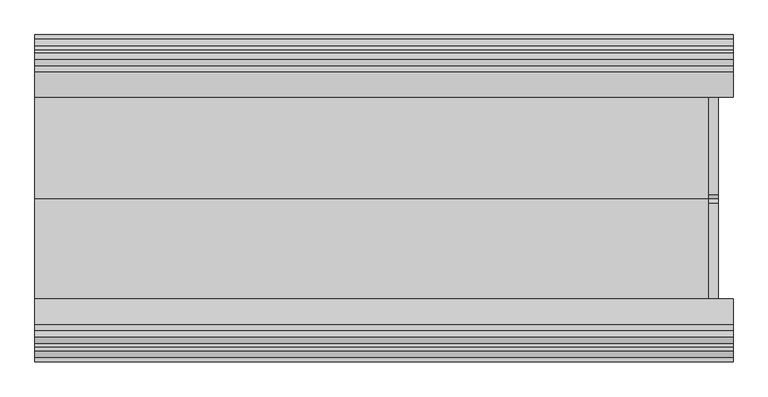
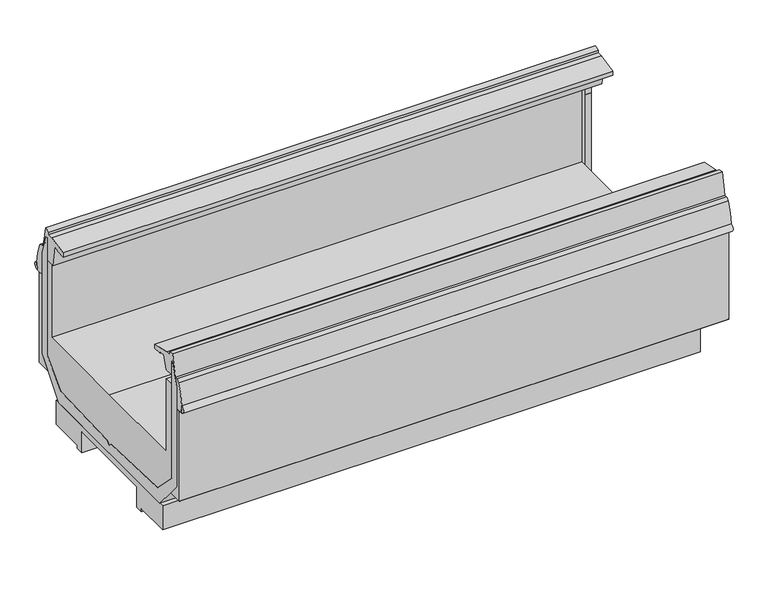
"""IFC4 building model written with IfcOpenShell, lengths in millimetres: proxy geometry."""

from ifc_helpers import new_model, si_unit, point, frame, frame_2d, origin, origin_with_axes, place, context, project, spatial, polyline, circle_curve, trimmed, segment, composite_curve, outline, extrude, source, transform, mapped, element, save
from ifc_brep_helpers import plane_surface, revolved_surface, advanced_brep


def mechanical_equipment_740fa408(model_context):
    return source(origin(), model_context, "Body", "SolidModel", [
        extrude(outline(composite_curve([segment(trimmed(circle_curve(frame_2d((1219.2, -1281.6322635)), 19.05), [point((1200.15, -1281.6322635))], [point((1238.25, -1281.6322635))], False, "CARTESIAN"), True, "CONTINUOUS"), segment(trimmed(circle_curve(frame_2d((1219.2, -1281.6322635)), 19.05), [point((1238.25, -1281.6322635))], [point((1200.15, -1281.6322635))], False, "CARTESIAN"), True, "CONTINUOUS")], self_intersect=False)), origin_with_axes(), (0.0, 0.0, 1.0), 127.0),
        extrude(outline(composite_curve([segment(trimmed(circle_curve(frame_2d((2286.0, -1164.9510135)), 11.1125), [point((2274.8875, -1164.9510135))], [point((2297.1125, -1164.9510135))], False, "CARTESIAN"), True, "CONTINUOUS"), segment(trimmed(circle_curve(frame_2d((2286.0, -1164.9510135)), 11.1125), [point((2297.1125, -1164.9510135))], [point((2274.8875, -1164.9510135))], False, "CARTESIAN"), True, "CONTINUOUS")], self_intersect=False)), origin_with_axes(), (0.0, 0.0, 1.0), 127.0),
        extrude(outline(composite_curve([segment(trimmed(circle_curve(frame_2d((2260.6, -1164.9510135)), 4.7625), [point((2255.8375, -1164.9510135))], [point((2265.3625, -1164.9510135))], False, "CARTESIAN"), True, "CONTINUOUS"), segment(trimmed(circle_curve(frame_2d((2260.6, -1164.9510135)), 4.7625), [point((2265.3625, -1164.9510135))], [point((2255.8375, -1164.9510135))], False, "CARTESIAN"), True, "CONTINUOUS")], self_intersect=False)), origin_with_axes(), (0.0, 0.0, 1.0), 127.0),
        extrude(outline(polyline([(-1408.0824708, 846.9650015), (-1399.567809, 846.9650015), (-1399.567809, 298.2301562), (-1293.5698661, 190.5), (-935.3372007, 177.5337806), (-920.5071273, 163.4842373), (-905.6770539, 177.5337806), (-547.4443885, 190.5), (-441.4464456, 298.2301562), (-441.4464456, 846.9650015), (-432.9317838, 846.9650015), (-414.7836621, 789.5616491), (-403.0848407, 752.5577332), (-403.0848407, 282.2978872), (-449.8127732, 226.1000374), (-532.2134322, 127.0), (-1308.8008224, 127.0), (-1391.2014814, 226.1000374), (-1437.9294139, 282.2978872), (-1437.9294139, 752.5577332), (-1426.2305925, 789.5616491), (-1408.0824708, 846.9650015)])), frame((0.0, 0.0, 0.0), z_axis=(1.0, 0.0, 0.0), x_axis=(0.0, 1.0, 0.0)), (0.0, 0.0, 1.0), 2385.8530658),
        advanced_brep(
        [(2385.8530658, -674.1127687, 14.2875), (2385.8530658, -511.3940187, 14.2875), (2385.8530658, -511.3940187, 127.0), (2385.8530658, -1329.6202359, 127.0), (2385.8530658, -1329.6202359, 14.2875), (2385.8530658, -1166.9014859, 14.2875), (2385.8530658, -1166.9014859, 0.0), (2385.8530658, -1131.4595591, 0.0), (2385.8530658, -1131.4595591, 97.6237021), (2385.8530658, -709.5546955, 97.6237021), (2385.8530658, -709.5546955, 0.0), (2385.8530658, -674.1127687, 0.0), (0.0, -674.1127687, 14.2875), (0.0, -674.1127687, 0.0), (0.0, -709.5546955, 0.0), (0.0, -709.5546955, 97.6237021), (0.0, -1131.4595591, 97.6237021), (0.0, -1131.4595591, 0.0), (0.0, -1166.9014859, 0.0), (0.0, -1166.9014859, 14.2875), (0.0, -1329.6202359, 14.2875), (0.0, -1329.6202359, 127.0), (0.0, -511.3940187, 127.0), (0.0, -511.3940187, 14.2875), (2305.05, -1164.9821273, 127.0), (2241.55, -1164.9821273, 127.0), (1244.6, -1281.6322635, 127.0), (1193.8, -1281.6322635, 127.0), (103.4796338, -1271.1776769, 127.0), (287.6296338, -1271.1776769, 127.0), (287.6296338, -1312.95589, 127.0), (103.4796338, -1312.95589, 127.0), (2241.6080679, -1166.9014859, 14.2875), (2304.9919321, -1166.9014859, 14.2875), (1193.8, -1281.6322635, 14.2875), (1244.6, -1281.6322635, 14.2875), (287.6296338, -1271.1776769, 14.2875), (103.4796338, -1271.1776769, 14.2875), (103.4796338, -1312.95589, 14.2875), (287.6296338, -1312.95589, 14.2875), (2304.9919321, -1166.9014859, 0.0), (2241.6080679, -1166.9014859, 0.0), (2305.05, -1164.9821273, 0.0), (2241.55, -1164.9821273, 0.0)],
        [
            (0, 1),
            (1, 2),
            (2, 3),
            (3, 4),
            (4, 5),
            (5, 6),
            (6, 7),
            (7, 8),
            (8, 9),
            (9, 10),
            (10, 11),
            (11, 0),
            (12, 13),
            (13, 14),
            (14, 15),
            (15, 16),
            (16, 17),
            (17, 18),
            (18, 19),
            (19, 20),
            (20, 21),
            (21, 22),
            (22, 23),
            (23, 12),
            (0, 12),
            (23, 1),
            (22, 2),
            (21, 3),
            (24, 25, circle_curve(frame((2273.3, -1164.9821273, 127.0), z_axis=(0.0, 0.0, -1.0), x_axis=(1.0, 0.0, 0.0)), 31.75)),
            (25, 24, circle_curve(frame((2273.3, -1164.9821273, 127.0), z_axis=(0.0, 0.0, -1.0), x_axis=(1.0, 0.0, 0.0)), 31.75)),
            (26, 27, circle_curve(frame((1219.2, -1281.6322635, 127.0), z_axis=(0.0, 0.0, -1.0), x_axis=(1.0, 0.0, 0.0)), 25.4)),
            (27, 26, circle_curve(frame((1219.2, -1281.6322635, 127.0), z_axis=(0.0, 0.0, -1.0), x_axis=(1.0, 0.0, 0.0)), 25.4)),
            (28, 29),
            (29, 30),
            (30, 31),
            (31, 28),
            (20, 4),
            (19, 32),
            (32, 33, circle_curve(frame((2273.3, -1164.9821273, 14.2875), z_axis=(0.0, 0.0, 1.0), x_axis=(1.0, 0.0, 0.0)), 31.75)),
            (33, 5),
            (34, 35, circle_curve(frame((1219.2, -1281.6322635, 14.2875), z_axis=(0.0, 0.0, 1.0), x_axis=(1.0, 0.0, 0.0)), 25.4)),
            (35, 34, circle_curve(frame((1219.2, -1281.6322635, 14.2875), z_axis=(0.0, 0.0, 1.0), x_axis=(1.0, 0.0, 0.0)), 25.4)),
            (36, 37),
            (37, 38),
            (38, 39),
            (39, 36),
            (33, 40),
            (40, 6),
            (18, 41),
            (41, 32),
            (40, 42, circle_curve(frame((2273.3, -1164.9821273, 0.0), z_axis=(0.0, 0.0, 1.0), x_axis=(1.0, 0.0, 0.0)), 31.75)),
            (42, 43, circle_curve(frame((2273.3, -1164.9821273, 0.0), z_axis=(0.0, 0.0, 1.0), x_axis=(1.0, 0.0, 0.0)), 31.75)),
            (43, 41, circle_curve(frame((2273.3, -1164.9821273, 0.0), z_axis=(0.0, 0.0, 1.0), x_axis=(1.0, 0.0, 0.0)), 31.75)),
            (17, 7),
            (16, 8),
            (15, 9),
            (14, 10),
            (13, 11),
            (24, 42),
            (43, 25),
            (34, 27),
            (26, 35),
            (36, 29),
            (28, 37),
            (31, 38),
            (30, 39),
        ],
        [
            plane_surface(frame((2385.8530658, -511.3940187, 14.2875), z_axis=(1.0, 0.0, 0.0), x_axis=(0.0, 1.0, 0.0))),
            plane_surface(frame((0.0, -511.3940187, 14.2875), z_axis=(-1.0, 0.0, 0.0), x_axis=(0.0, -1.0, 0.0))),
            plane_surface(frame((2385.8530658, -674.1127687, 14.2875), z_axis=(0.0, 0.0, -1.0), x_axis=(-1.0, 0.0, 0.0))),
            plane_surface(frame((2385.8530658, -511.3940187, 14.2875), z_axis=(0.0, 1.0, 0.0), x_axis=(-1.0, 0.0, 0.0))),
            plane_surface(frame((2385.8530658, -511.3940187, 127.0), z_axis=(0.0, 0.0, 1.0), x_axis=(-1.0, 0.0, 0.0))),
            plane_surface(frame((2385.8530658, -1329.6202359, 127.0), z_axis=(0.0, -1.0, 0.0), x_axis=(-1.0, 0.0, 0.0))),
            plane_surface(frame((2385.8530658, -1329.6202359, 14.2875), z_axis=(0.0, 0.0, -1.0), x_axis=(-1.0, 0.0, 0.0))),
            plane_surface(frame((2385.8530658, -1166.9014859, 14.2875), z_axis=(0.0, -1.0, 0.0), x_axis=(-1.0, 0.0, 0.0))),
            plane_surface(frame((2385.8530658, -1166.9014859, 0.0), z_axis=(0.0, 0.0, -1.0), x_axis=(-1.0, 0.0, 0.0))),
            plane_surface(frame((2385.8530658, -1131.4595591, 0.0), z_axis=(0.0, 1.0, 0.0), x_axis=(-1.0, 0.0, 0.0))),
            plane_surface(frame((2385.8530658, -1131.4595591, 97.6237021), z_axis=(0.0, 0.0, -1.0), x_axis=(-1.0, 0.0, 0.0))),
            plane_surface(frame((2385.8530658, -709.5546955, 97.6237021), z_axis=(0.0, -1.0, 0.0), x_axis=(-1.0, 0.0, 0.0))),
            plane_surface(frame((2385.8530658, -709.5546955, 0.0), z_axis=(0.0, 0.0, -1.0), x_axis=(-1.0, 0.0, 0.0))),
            plane_surface(frame((2385.8530658, -674.1127687, 0.0), z_axis=(0.0, 1.0, 0.0), x_axis=(-1.0, 0.0, 0.0))),
            revolved_surface(polyline([(2305.05, -1164.9821273, 127.0), (2305.05, -1164.9821273, 0.0)]), (2273.3, -1164.9821273, 0.0), (0.0, 0.0, 1.0)),
            revolved_surface(polyline([(1244.6000000000001, -1281.6322635, 127.0), (1244.6000000000001, -1281.6322635, 14.2875)]), (1219.2, -1281.6322635, 0.0), (0.0, 0.0, 1.0)),
            plane_surface(frame((287.6296338, -1271.1776769, 127.0), z_axis=(0.0, -1.0, 0.0), x_axis=(0.0, 0.0, -1.0))),
            plane_surface(frame((103.4796338, -1271.1776769, 127.0), z_axis=(1.0, 0.0, 0.0), x_axis=(0.0, 0.0, -1.0))),
            plane_surface(frame((103.4796338, -1312.95589, 127.0), z_axis=(0.0, 1.0, 0.0), x_axis=(0.0, 0.0, -1.0))),
            plane_surface(frame((287.6296338, -1312.95589, 127.0), z_axis=(-1.0, 0.0, 0.0), x_axis=(0.0, 0.0, -1.0))),
        ],
        [
            (0, [[1, 2, 3, 4, 5, 6, 7, 8, 9, 10, 11, 12]]),
            (1, [[13, 14, 15, 16, 17, 18, 19, 20, 21, 22, 23, 24]]),
            (2, [[-1, 25, -24, 26]]),
            (3, [[-2, -26, -23, 27]]),
            (4, [[-3, -27, -22, 28], [29, 30], [31, 32], [33, 34, 35, 36]]),
            (5, [[-4, -28, -21, 37]]),
            (6, [[-5, -37, -20, 38, 39, 40], [41, 42], [43, 44, 45, 46]]),
            (7, [[-6, -40, 47, 48]]),
            (7, [[-19, 49, 50, -38]]),
            (8, [[-7, -48, 51, 52, 53, -49, -18, 54]]),
            (9, [[-8, -54, -17, 55]]),
            (10, [[-9, -55, -16, 56]]),
            (11, [[-10, -56, -15, 57]]),
            (12, [[-11, -57, -14, 58]]),
            (13, [[-12, -58, -13, -25]]),
            (14, [[59, -51, -47, -39, -50, -53, 60, -29]]),
            (14, [[-59, -30, -60, -52]]),
            (15, [[61, -31, 62, -41]]),
            (15, [[-61, -42, -62, -32]]),
            (16, [[63, -33, 64, -43]]),
            (17, [[-64, -36, 65, -44]]),
            (18, [[-65, -35, 66, -45]]),
            (19, [[-63, -46, -66, -34]]),
        ],
    ),
        extrude(outline(composite_curve([segment(trimmed(circle_curve(frame_2d((-1475.2128764, 668.6836472)), 16.385947), [point((-1474.9354385, 652.3000491))], [point((-1476.5812122, 685.0123617))], False, "CARTESIAN"), True, "CONTINUOUS"), segment(polyline([(-1476.5812122, 685.0123617), (-1474.9354385, 652.3000491)]), True, "CONTINUOUS")], self_intersect=False)), frame((0.0, 0.0, 0.0), z_axis=(1.0, 0.0, 0.0), x_axis=(0.0, 1.0, 0.0)), (0.0, 0.0, 1.0), 2438.4),
        extrude(outline(composite_curve([segment(trimmed(circle_curve(frame_2d((-364.6624647, 668.6836472)), 16.385947), [point((-363.2941289, 685.0123617))], [point((-364.9399026, 652.3000491))], False, "CARTESIAN"), True, "CONTINUOUS"), segment(polyline([(-364.9399026, 652.3000491), (-363.2941289, 685.0123617)]), True, "CONTINUOUS")], self_intersect=False)), frame((0.0, 0.0, 0.0), z_axis=(1.0, 0.0, 0.0), x_axis=(0.0, 1.0, 0.0)), (0.0, 0.0, 1.0), 2438.4),
        extrude(outline(polyline([(-1359.0465206, 400.4769946), (-920.5071273, 400.4769946), (-477.6538206, 400.4769946), (-477.6538206, 740.5783627), (-441.4253902, 740.5783627), (-441.4253902, 298.2301562), (-547.4443885, 190.5), (-905.6770539, 177.5337806), (-920.5071273, 163.4842373), (-935.3372007, 177.5337806), (-1293.5698661, 190.5), (-1399.5888644, 298.2301562), (-1399.5888644, 740.5783627), (-1359.0465206, 740.5783627), (-1359.0465206, 400.4769946)])), frame((0.0, 0.0, 0.0), z_axis=(1.0, 0.0, 0.0), x_axis=(0.0, 1.0, 0.0)), (0.0, 0.0, 1.0), 2351.7241488),
        extrude(outline(polyline([(-433.0243559, 887.4125), (-411.4627088, 789.657109), (-414.8047174, 789.657109), (-432.9317838, 846.9650015), (-441.4464456, 846.9650015), (-441.4464456, 740.6738226), (-477.6538206, 740.6738226), (-483.7018711, 739.7468283), (-499.0945099, 840.1740491), (-524.2013151, 836.3258894), (-523.6195703, 832.5303734), (-565.5226642, 830.5906971), (-565.9959079, 850.4904961), (-476.7745606, 868.6687252), (-454.3862445, 868.9264651), (-456.423295, 882.2514581), (-433.0243559, 887.4125)])), frame((0.0, 0.0, 0.0), z_axis=(1.0, 0.0, 0.0), x_axis=(0.0, 1.0, 0.0)), (0.0, 0.0, 1.0), 2438.4),
        extrude(outline(polyline([(-1270.7170124, 850.4904961), (-1271.190256, 830.5906971), (-1311.2730514, 832.3547995), (-1312.9684692, 834.2711206), (-1312.9233076, 836.5465811), (-1337.2067079, 839.7624376), (-1359.0465206, 783.4062069), (-1399.5803882, 783.4062069), (-1399.5803882, 846.9650015), (-1408.0824708, 846.9650015), (-1426.2305925, 789.5616491), (-1428.4336876, 789.5616491), (-1406.7588576, 887.830185), (-1383.4262575, 882.5024341), (-1385.4960978, 868.9629523), (-1359.9383596, 868.6687252), (-1270.7170124, 850.4904961)])), frame((0.0, 0.0, 0.0), z_axis=(1.0, 0.0, 0.0), x_axis=(0.0, 1.0, 0.0)), (0.0, 0.0, 1.0), 2438.4),
        extrude(outline(composite_curve([segment(polyline([(-1459.4414385, 650.7252491), (-1473.3606385, 650.7252491), (-1474.9354385, 652.3000491), (-1476.5812122, 685.0123617)]), True, "CONTINUOUS"), segment(trimmed(circle_curve(frame_2d((-1222.8280036, 673.8182058)), 254.0), [point((-1476.5812122, 685.0123617))], [point((-1453.4101777, 780.3445453))], False, "CARTESIAN"), True, "CONTINUOUS"), segment(trimmed(circle_curve(frame_2d((-1438.9987918, 773.6866491)), 15.875), [point((-1453.4101777, 780.3445453))], [point((-1438.9987918, 789.5616491))], False, "CARTESIAN"), True, "CONTINUOUS"), segment(polyline([(-1438.9987918, 789.5616491), (-1426.2305925, 789.5616491), (-1437.9162448, 752.5993877), (-1437.9294139, 650.7252491), (-1459.4414385, 650.7252491)]), True, "CONTINUOUS")], self_intersect=False)), frame((0.0, 0.0, 0.0), z_axis=(1.0, 0.0, 0.0), x_axis=(0.0, 1.0, 0.0)), (0.0, 0.0, 1.0), 2438.4),
        extrude(outline(composite_curve([segment(polyline([(-380.4470717, 650.7252491), (-403.0980098, 650.7252491), (-403.0980098, 752.5993877), (-414.7836621, 789.5616491), (-400.8765493, 789.5616491)]), True, "CONTINUOUS"), segment(trimmed(circle_curve(frame_2d((-400.8765493, 773.6866491)), 15.875), [point((-400.8765493, 789.5616491))], [point((-386.4651634, 780.3445453))], False, "CARTESIAN"), True, "CONTINUOUS"), segment(trimmed(circle_curve(frame_2d((-617.0473375, 673.8182058)), 254.0), [point((-386.4651634, 780.3445453))], [point((-363.2941289, 685.0123617))], False, "CARTESIAN"), True, "CONTINUOUS"), segment(polyline([(-363.2941289, 685.0123617), (-364.9530717, 652.3000491), (-366.5278717, 650.7252491), (-380.4470717, 650.7252491)]), True, "CONTINUOUS")], self_intersect=False)), frame((0.0, 0.0, 0.0), z_axis=(1.0, 0.0, 0.0), x_axis=(0.0, 1.0, 0.0)), (0.0, 0.0, 1.0), 2438.4),
        extrude(outline(composite_curve([segment(polyline([(-1437.9294139, 282.2978872), (-1391.2014814, 226.1000374), (-1457.0601885, 226.1000374)]), True, "CONTINUOUS"), segment(trimmed(circle_curve(frame_2d((-1457.0601885, 228.4812874)), 2.38125), [point((-1457.0601885, 226.1000374))], [point((-1459.4414385, 228.4812874))], False, "CARTESIAN"), True, "CONTINUOUS"), segment(polyline([(-1459.4414385, 228.4812874), (-1459.4414385, 650.7252491), (-1437.9294139, 650.7252491), (-1437.9294139, 282.2978872)]), True, "CONTINUOUS")], self_intersect=False)), frame((0.0, 0.0, 0.0), z_axis=(1.0, 0.0, 0.0), x_axis=(0.0, 1.0, 0.0)), (0.0, 0.0, 1.0), 2438.4),
        extrude(outline(composite_curve([segment(polyline([(-403.0848407, 282.2978872), (-403.0848407, 650.7252491), (-380.4339026, 650.7252491), (-380.4339026, 228.4812874)]), True, "CONTINUOUS"), segment(trimmed(circle_curve(frame_2d((-382.8151526, 228.4812874)), 2.38125), [point((-380.4339026, 228.4812874))], [point((-382.8151526, 226.1000374))], False, "CARTESIAN"), True, "CONTINUOUS"), segment(polyline([(-382.8151526, 226.1000374), (-449.8127732, 226.1000374), (-403.0848407, 282.2978872)]), True, "CONTINUOUS")], self_intersect=False)), frame((0.0, 0.0, 0.0), z_axis=(1.0, 0.0, 0.0), x_axis=(0.0, 1.0, 0.0)), (0.0, 0.0, 1.0), 2438.4),
    ])


if __name__ == "__main__":
    model = new_model("IFC4")
    model_context = context("Model", 3, world=origin())
    ifc_project = project(units=[si_unit("LENGTHUNIT", "METRE", prefix="MILLI")], contexts=[model_context])
    site = spatial("IfcSite", under=ifc_project)
    building = spatial("IfcBuilding", under=site)
    placement = place(None, origin())
    mechanical_equipment_shape = mechanical_equipment_740fa408(model_context)
    element("IfcBuildingElementProxy", 1, Name="Mechanical Equipment", at=placement, inside=building, context=model_context, shape_type="MappedRepresentation", body=[
        mapped(mechanical_equipment_shape, transform((0.0, 0.0, 0.0), x_axis=(1.0, 0.0, 0.0), y_axis=(0.0, 1.0, 0.0), z_axis=(0.0, 0.0, 1.0))),
    ])
    save(model, "model.ifc")
